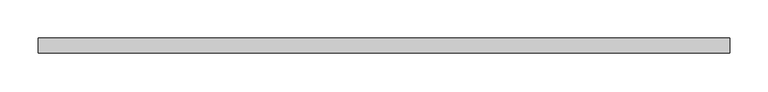
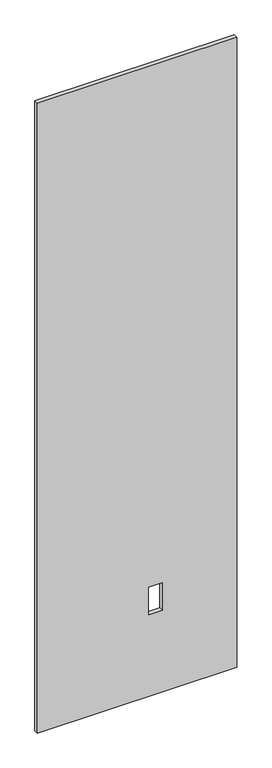
"""IFC4 building model written with IfcOpenShell, lengths in millimetres: proxy geometry."""

from ifc_helpers import new_model, si_unit, frame, origin, place, context, project, spatial, polyline, outline, extrude, source, transform, mapped, element, save


def specialty_equipment_321611a0(model_context):
    return source(origin(), model_context, "Body", "SweptSolid", [
        extrude(outline(polyline([(2999.5368001, 448.9044872), (2999.5368001, -448.9044872), (3.175, -448.9044872), (3.175, 448.9044872), (2999.5368001, 448.9044872)]), holes=[polyline([(522.478, 112.8268), (391.922, 112.8268), (391.922, 51.3588), (522.478, 51.3588), (522.478, 112.8268)])]), frame((0.0, -9.525, 0.0), z_axis=(0.0, 1.0, 0.0), x_axis=(0.0, 0.0, 1.0)), (0.0, 0.0, 1.0), 19.05),
    ])


if __name__ == "__main__":
    model = new_model("IFC4")
    model_context = context("Model", 3, world=origin())
    ifc_project = project(units=[si_unit("LENGTHUNIT", "METRE", prefix="MILLI")], contexts=[model_context])
    site = spatial("IfcSite", under=ifc_project)
    building = spatial("IfcBuilding", under=site)
    placement = place(None, origin())
    specialty_equipment_shape = specialty_equipment_321611a0(model_context)
    element("IfcBuildingElementProxy", 1, Name="Specialty Equipment", at=placement, inside=building, context=model_context, shape_type="MappedRepresentation", body=[
        mapped(specialty_equipment_shape, transform((0.0, 0.0, 0.0), x_axis=(1.0, 0.0, 0.0), y_axis=(0.0, 1.0, 0.0), z_axis=(0.0, 0.0, 1.0))),
    ])
    save(model, "model.ifc")
